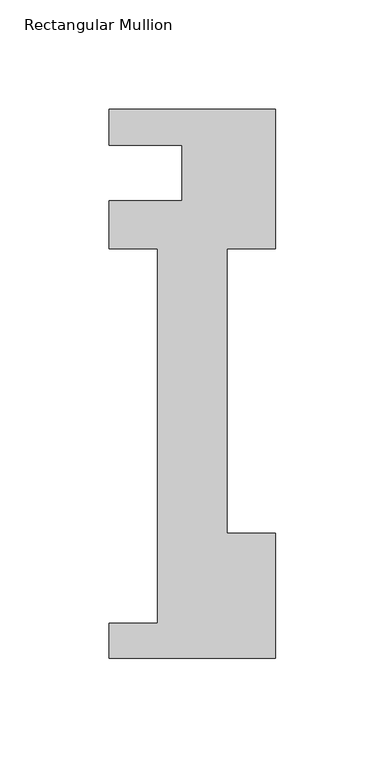
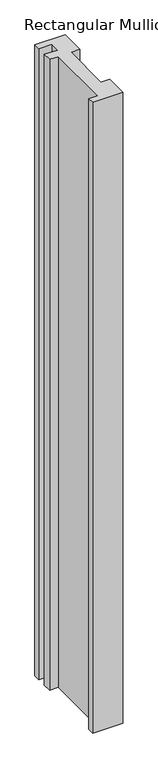
"""IFC4 building model written with IfcOpenShell, lengths in millimetres: member geometry, Rectangular Mullion."""

from ifc_helpers import new_model, si_unit, frame, origin, place, context, project, spatial, polyline, outline, extrude, source, transform, mapped, element, save


def rectangular_mullion_cae1b191(model_context):
    return source(origin(), model_context, "Body", "SweptSolid", [
        extrude(outline(polyline([(0.0, -221.996), (-76.2, -221.996), (-76.2, -206.121), (-53.975, -206.121), (-53.975, -34.671), (-76.2, -34.671), (-76.2, -12.7), (-42.8625, -12.7), (-42.8625, 12.7), (-76.2, 12.7), (-76.2, 29.0542503), (0.0, 29.0542503), (0.0, -34.671), (-22.225, -34.671), (-22.225, -164.7946959), (0.0, -164.7946959), (0.0, -221.996)])), frame((0.0, 0.0, -1676.4), z_axis=(0.0, 0.0, 1.0), x_axis=(1.0, 0.0, 0.0)), (0.0, 0.0, 1.0), 1676.4),
    ])


if __name__ == "__main__":
    model = new_model("IFC4")
    model_context = context("Model", 3, world=origin())
    ifc_project = project(units=[si_unit("LENGTHUNIT", "METRE", prefix="MILLI")], contexts=[model_context])
    site = spatial("IfcSite", under=ifc_project)
    building = spatial("IfcBuilding", under=site)
    placement = place(None, origin())
    rectangular_mullion_shape = rectangular_mullion_cae1b191(model_context)
    element("IfcMember", 1, ObjectType="Rectangular Mullion", at=placement, inside=building, context=model_context, shape_type="MappedRepresentation", body=[
        mapped(rectangular_mullion_shape, transform((0.0, 0.0, 0.0), x_axis=(1.0, 0.0, 0.0), y_axis=(0.0, 1.0, 0.0), z_axis=(0.0, 0.0, 1.0))),
    ])
    save(model, "model.ifc")
